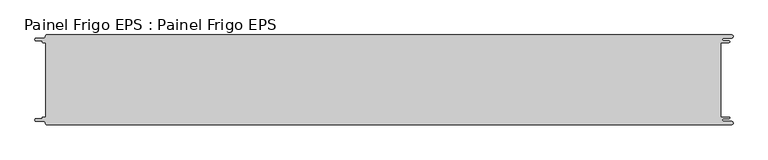
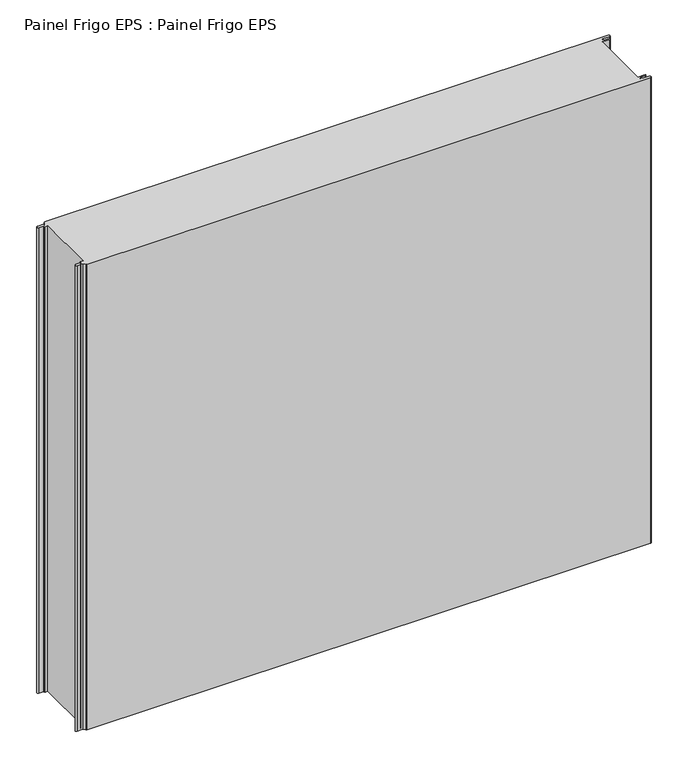
"""IFC4 building model written with IfcOpenShell, lengths in millimetres: proxy geometry, Painel Frigo EPS : Painel Frigo EPS."""

import ifcopenshell
import ifcopenshell.guid

model = None  # the IFC model being written
_history = None  # IfcOwnerHistory: only IFC2X3 demands one
_inside = {}  # id of a spatial element -> (the spatial element, [elements in it])
_under = {}  # id of a project, library or spatial element -> (it, [spatial elements below it])
_declared = {}  # id of a project -> (the project, [libraries it declares])
_typed = {}  # id of a type object -> (the type object, [elements of that type])
_made_of = {}  # id of a material, layer set ... -> (it, [elements and type objects made of it])


def new_model(schema):
    """Start an empty IFC model of exactly this schema.

    Asked for "IFC4X3", IfcOpenShell would pick the latest addendum, in which some entities
    have other attributes; the version numbers below select the first issue.
    IFC2X3 requires an IfcOwnerHistory on every rooted entity: one is made here for all.
    """
    global model, _history
    if schema == "IFC4X3":
        model = ifcopenshell.file(schema_version=(4, 3, 0, 0))
    else:
        model = ifcopenshell.file(schema=schema)
    _inside.clear()
    _under.clear()
    _declared.clear()
    _typed.clear()
    _made_of.clear()
    _history = None
    if model.schema == "IFC2X3":
        org = make("IfcOrganization", Name="unknown")
        user = make(
            "IfcPersonAndOrganization",
            ThePerson=make("IfcPerson", FamilyName="unknown"),
            TheOrganization=org,
        )
        app = make(
            "IfcApplication",
            ApplicationDeveloper=org,
            Version="unknown",
            ApplicationFullName="unknown",
            ApplicationIdentifier="unknown",
        )
        _history = make(
            "IfcOwnerHistory",
            OwningUser=user,
            OwningApplication=app,
            ChangeAction="ADDED",
            CreationDate=0,
        )
    return model


def make(cls, **values):
    """One entity of the class cls with the attributes given. An attribute that is None is left unset."""
    return model.create_entity(
        cls, **{name: value for name, value in values.items() if value is not None}
    )


def rooted(cls, **values):
    """An entity with a GlobalId (a new one), such as an element, a storey or a relation."""
    return make(cls, GlobalId=ifcopenshell.guid.new(), OwnerHistory=_history, **values)


def si_unit(unit_type, name, prefix=None):
    """IfcSIUnit, for example si_unit("LENGTHUNIT", "METRE", prefix="MILLI")."""
    return make("IfcSIUnit", UnitType=unit_type, Prefix=prefix, Name=name)


def assignment(units):
    """IfcUnitAssignment: the units of a project."""
    return None if units is None else make("IfcUnitAssignment", Units=units)


def point(xyz):
    """IfcCartesianPoint."""
    return None if xyz is None else make("IfcCartesianPoint", Coordinates=xyz)


def direction(xyz):
    """IfcDirection."""
    return None if xyz is None else make("IfcDirection", DirectionRatios=xyz)


def frame(location, z_axis=None, x_axis=None):
    """IfcAxis2Placement3D, a coordinate frame: its origin and axes. An axis left out is left unset."""
    return make(
        "IfcAxis2Placement3D",
        Location=point(location),
        Axis=direction(z_axis),
        RefDirection=direction(x_axis),
    )


def origin():
    """The frame at (0, 0, 0) with its axes left unset."""
    return frame((0.0, 0.0, 0.0))


def place(relative_to, where):
    """IfcLocalPlacement: puts the frame where relative to a parent placement (None: the world)."""
    return make(
        "IfcLocalPlacement", PlacementRelTo=relative_to, RelativePlacement=where
    )


def context(
    kind, dimensions, precision=None, world=None, true_north=None, identifier=None
):
    """IfcGeometricRepresentationContext, for example the 3D "Model" context."""
    return make(
        "IfcGeometricRepresentationContext",
        ContextIdentifier=identifier,
        ContextType=kind,
        CoordinateSpaceDimension=dimensions,
        Precision=precision,
        WorldCoordinateSystem=world,
        TrueNorth=true_north,
    )


def project(units=None, contexts=None):
    """IfcProject with its units and contexts."""
    return rooted(
        "IfcProject",
        Name="project",
        RepresentationContexts=contexts,
        UnitsInContext=assignment(units),
    )


def spatial(cls, under=None, at=None, **own):
    """A site, building, storey or space (cls), placed at a placement, below another one or the project."""
    s = rooted(cls, ObjectPlacement=at, **own)
    if under is not None:
        _under.setdefault(under.id(), (under, []))[1].append(s)
    return s


def polyline(points):
    """IfcPolyline through the points."""
    return make("IfcPolyline", Points=[point(p) for p in points])


def circle_curve(where, radius):
    """IfcCircle in the frame where."""
    return make("IfcCircle", Position=where, Radius=radius)


def shape(context_of_items, identifier, shape_type, items):
    """IfcShapeRepresentation: the items that make up one representation, for example the "Body"."""
    return make(
        "IfcShapeRepresentation",
        ContextOfItems=context_of_items,
        RepresentationIdentifier=identifier,
        RepresentationType=shape_type,
        Items=items,
    )


def source(mapping_origin, context_of_items, identifier, shape_type, items):
    """IfcRepresentationMap: a shape defined once, which mapped items show again and again."""
    return make(
        "IfcRepresentationMap",
        MappingOrigin=mapping_origin,
        MappedRepresentation=shape(context_of_items, identifier, shape_type, items),
    )


def transform(
    local_origin,
    x_axis=None,
    y_axis=None,
    z_axis=None,
    scale=None,
    scale2=None,
    scale3=None,
    uniform=True,
):
    """IfcCartesianTransformationOperator3D, or its non-uniform kind. x_axis, y_axis, z_axis: its Axis1, 2, 3."""
    if uniform:
        return make(
            "IfcCartesianTransformationOperator3D",
            Axis1=direction(x_axis),
            Axis2=direction(y_axis),
            LocalOrigin=point(local_origin),
            Scale=scale,
            Axis3=direction(z_axis),
        )
    return make(
        "IfcCartesianTransformationOperator3DnonUniform",
        Axis1=direction(x_axis),
        Axis2=direction(y_axis),
        LocalOrigin=point(local_origin),
        Scale=scale,
        Axis3=direction(z_axis),
        Scale2=scale2,
        Scale3=scale3,
    )


def mapped(mapping_source, mapping_target):
    """IfcMappedItem: shows the shape of a source again, moved by a transform."""
    return make(
        "IfcMappedItem", MappingSource=mapping_source, MappingTarget=mapping_target
    )


def made_of(thing, what):
    """Note that an element or type object is made of a material, layer set ...; save() writes the relation."""
    if what is not None:
        _made_of.setdefault(what.id(), (what, []))[1].append(thing)
    return thing


def element(
    cls,
    number,
    at=None,
    inside=None,
    cuts=None,
    type_object=None,
    material=None,
    context=None,
    identifier="Body",
    shape_type=None,
    held_by="IfcProductDefinitionShape",
    body=None,
    shapes=None,
    **own,
):
    """One element of the class cls, such as IfcWall. Its Tag is "e" and its number.

    at: its placement. inside: the storey or other place that contains it. cuts: it is an
    opening in that element (IfcRelVoidsElement). A single representation is given by context,
    identifier, shape_type and body (its items); several are given by shapes. held_by: the class
    of the entity that holds the representations. save() writes the other relations.
    """
    e = rooted(cls, Tag="e%d" % number, ObjectPlacement=at, **own)
    if body is not None:
        shapes = [shape(context, identifier, shape_type, body)]
    if shapes is not None:
        e.Representation = make(held_by, Representations=shapes)
    if inside is not None:
        _inside.setdefault(inside.id(), (inside, []))[1].append(e)
    if cuts is not None:
        rooted(
            "IfcRelVoidsElement", RelatingBuildingElement=cuts, RelatedOpeningElement=e
        )
    if type_object is not None:
        _typed.setdefault(type_object.id(), (type_object, []))[1].append(e)
    return made_of(e, material)


def aggregate(whole, parts):
    """IfcRelAggregates: a whole, such as a stair, and the parts it consists of."""
    return rooted("IfcRelAggregates", RelatingObject=whole, RelatedObjects=parts)


def save(model, path):
    """Write the relations noted so far, then the file.

    IfcRelAggregates (storeys below a building ...), IfcRelContainedInSpatialStructure (elements
    in a storey), IfcRelDefinesByType, IfcRelAssociatesMaterial and IfcRelDeclares: one each for
    every whole, place, type object, material and project.
    """
    for whole, parts in _under.values():
        aggregate(whole, parts)
    for where, things in _inside.values():
        rooted(
            "IfcRelContainedInSpatialStructure",
            RelatedElements=things,
            RelatingStructure=where,
        )
    for kind, things in _typed.values():
        rooted("IfcRelDefinesByType", RelatedObjects=things, RelatingType=kind)
    for what, things in _made_of.values():
        rooted("IfcRelAssociatesMaterial", RelatedObjects=things, RelatingMaterial=what)
    for by, libraries in _declared.values():
        rooted("IfcRelDeclares", RelatingContext=by, RelatedDefinitions=libraries)
    model.write(path)


def plane_surface(at):
    """IfcPlane: the flat surface through the origin of the frame at, square to its z axis."""
    return make("IfcPlane", Position=at)


def cylinder_surface(at, radius):
    """IfcCylindricalSurface: all points at the distance radius from the z axis of the frame at."""
    return make("IfcCylindricalSurface", Position=at, Radius=radius)


def revolved_surface(curve, axis_point, axis_direction):
    """IfcSurfaceOfRevolution: the curve turned about the line through axis_point along axis_direction."""
    return make(
        "IfcSurfaceOfRevolution",
        SweptCurve=make("IfcArbitraryOpenProfileDef", ProfileType="CURVE", Curve=curve),
        AxisPosition=make("IfcAxis1Placement", Location=point(axis_point), Axis=direction(axis_direction)),
    )


def advanced_brep(points, edges, surfaces, faces):
    """IfcAdvancedBrep: a solid bounded by faces that lie on surfaces and meet in shared edges.

    An edge is (start, end): straight between two places in points (the first is 0);
    or (start, end, curve); or (start, end, curve, False) where it runs against its curve.
    A face is (place in surfaces, loops), or (place, loops, False) where it looks against
    its surface's normal. A loop lists edges by number (the first is 1), with a minus sign
    where the edge is run from its end to its start. The first loop is the outer one.
    """
    corners = [point(p) for p in points]
    vertices = [make("IfcVertexPoint", VertexGeometry=c) for c in corners]
    made = []
    for start, end, *more in edges:
        made.append(
            make(
                "IfcEdgeCurve",
                EdgeStart=vertices[start],
                EdgeEnd=vertices[end],
                EdgeGeometry=more[0] if more else make("IfcPolyline", Points=[corners[start], corners[end]]),
                SameSense=more[1] if len(more) > 1 else True,
            )
        )
    hull = []
    for where, loops, *sense in faces:
        bounds = []
        for j, loop in enumerate(loops):
            ring = [make("IfcOrientedEdge", EdgeElement=made[abs(k) - 1], Orientation=k > 0) for k in loop]
            bounds.append(
                make(
                    "IfcFaceOuterBound" if j == 0 else "IfcFaceBound",
                    Bound=make("IfcEdgeLoop", EdgeList=ring),
                    Orientation=True,
                )
            )
        hull.append(make("IfcAdvancedFace", Bounds=bounds, FaceSurface=surfaces[where], SameSense=sense[0] if sense else True))
    return make("IfcAdvancedBrep", Outer=make("IfcClosedShell", CfsFaces=hull))


def painel_frigo_eps_painel_frigo_eps_78091db7(model_context):
    return source(origin(), model_context, "Body", "AdvancedBrep", [
        advanced_brep(
        [(-579.5093748, 62.3, 1000.0), (-574.2218362, 62.3, 1000.0), (-574.2218362, -62.2999995, 1000.0), (-579.5093748, -62.2999995, 1000.0), (-580.1093753, -62.9, 1000.0), (-580.1093753, -63.7085185, 1000.0), (-581.5093753, -65.1085185, 1000.0), (-590.4875, -65.1085185, 1000.0), (-590.4875, -69.5085185, 1000.0), (-578.471875, -69.5085185, 1000.0), (-574.921875, -73.0585185, 1000.0), (-572.971875, -75.0, 1000.0), (572.284375, -75.0, 1000.0), (572.284375, -69.725, 1000.0), (559.378125, -69.725, 1000.0), (559.378125, -64.875, 1000.0), (568.0406253, -64.875, 1000.0), (568.0406253, -62.3, 1000.0), (554.1906253, -62.3, 1000.0), (554.1906253, 62.3, 1000.0), (568.0406253, 62.3, 1000.0), (568.0406253, 64.875, 1000.0), (559.378125, 64.875, 1000.0), (559.378125, 69.725, 1000.0), (572.284375, 69.725, 1000.0), (572.284375, 75.0, 1000.0), (-572.971875, 75.0, 1000.0), (-574.921875, 73.05, 1000.0), (-578.471875, 69.5085185, 1000.0), (-590.4875, 69.5085185, 1000.0), (-590.4875, 65.1085187, 1000.0), (-581.5093751, 65.1085187, 1000.0), (-580.1093748, 63.7085184, 1000.0), (-580.1093748, 62.9, 1000.0), (-579.5093748, 62.3, 0.0), (-580.1093748, 62.9, 0.0), (-580.1093748, 63.7085184, 0.0), (-581.5093751, 65.1085187, 0.0), (-590.4875, 65.1085187, 0.0), (-590.4875, 69.5085185, 0.0), (-578.471875, 69.5085185, 0.0), (-574.921875, 73.0585185, 0.0), (-572.971875, 75.0, 0.0), (572.284375, 75.0, 0.0), (572.284375, 69.725, 0.0), (559.378125, 69.725, 0.0), (559.378125, 64.875, 0.0), (568.0406253, 64.875, 0.0), (568.0406253, 62.3, 0.0), (554.1906253, 62.3, 0.0), (554.1906253, -62.3, 0.0), (568.0406253, -62.3, 0.0), (568.0406253, -64.875, 0.0), (559.378125, -64.875, 0.0), (559.378125, -69.725, 0.0), (572.284375, -69.725, 0.0), (572.284375, -75.0, 0.0), (-572.971875, -75.0, 0.0), (-574.921875, -73.05, 0.0), (-578.471875, -69.5085185, 0.0), (-590.4875, -69.5085185, 0.0), (-590.4875, -65.1085185, 0.0), (-581.5093753, -65.1085185, 0.0), (-580.1093753, -63.7085185, 0.0), (-580.1093753, -62.9, 0.0), (-579.5093748, -62.2999995, 0.0), (-574.2218362, -62.2999995, 0.0), (-574.2218362, 62.3, 0.0)],
        [
            (0, 1),
            (1, 2),
            (2, 3),
            (3, 4, circle_curve(frame((-579.5093748, -62.9, 1000.0), z_axis=(0.0, 0.0, 1.0), x_axis=(1.0, 0.0, 0.0)), 0.6000005)),
            (4, 5),
            (5, 6, circle_curve(frame((-581.5093753, -63.7085185, 1000.0), z_axis=(0.0, 0.0, -1.0), x_axis=(1.0, 0.0, 0.0)), 1.4)),
            (6, 7),
            (7, 8, circle_curve(frame((-590.4875, -67.3085185, 1000.0), z_axis=(0.0, 0.0, 1.0), x_axis=(1.0, 0.0, 0.0)), 2.2)),
            (8, 9),
            (9, 10, circle_curve(frame((-578.471875, -73.0585185, 1000.0), z_axis=(0.0, 0.0, -1.0), x_axis=(1.0, 0.0, 0.0)), 3.55)),
            (10, 11, circle_curve(frame((-572.971875, -73.05, 1000.0), z_axis=(0.0, 0.0, 1.0), x_axis=(1.0, 0.0, 0.0)), 1.95)),
            (11, 12),
            (12, 13, circle_curve(frame((572.284375, -72.3625, 1000.0), z_axis=(0.0, 0.0, 1.0), x_axis=(1.0, 0.0, 0.0)), 2.6375)),
            (13, 14),
            (14, 15, circle_curve(frame((559.378125, -67.3, 1000.0), z_axis=(0.0, 0.0, -1.0), x_axis=(1.0, 0.0, 0.0)), 2.425)),
            (15, 16),
            (16, 17, circle_curve(frame((568.0406253, -63.5875, 1000.0), z_axis=(0.0, 0.0, 1.0), x_axis=(1.0, 0.0, 0.0)), 1.2875)),
            (17, 18),
            (18, 19),
            (19, 20),
            (20, 21, circle_curve(frame((568.0406253, 63.5875, 1000.0), z_axis=(0.0, 0.0, 1.0), x_axis=(1.0, 0.0, 0.0)), 1.2875)),
            (21, 22),
            (22, 23, circle_curve(frame((559.378125, 67.3, 1000.0), z_axis=(0.0, 0.0, -1.0), x_axis=(1.0, 0.0, 0.0)), 2.425)),
            (23, 24),
            (24, 25, circle_curve(frame((572.284375, 72.3625, 1000.0), z_axis=(0.0, 0.0, 1.0), x_axis=(1.0, 0.0, 0.0)), 2.6375)),
            (25, 26),
            (26, 27, circle_curve(frame((-572.971875, 73.05, 1000.0), z_axis=(0.0, 0.0, 1.0), x_axis=(1.0, 0.0, 0.0)), 1.95)),
            (27, 28, circle_curve(frame((-578.471875, 73.0585185, 1000.0), z_axis=(0.0, 0.0, -1.0), x_axis=(1.0, 0.0, 0.0)), 3.55)),
            (28, 29),
            (29, 30, circle_curve(frame((-590.4875, 67.3085186, 1000.0), z_axis=(0.0, 0.0, 1.0), x_axis=(1.0, 0.0, 0.0)), 2.1999999)),
            (30, 31),
            (31, 32, circle_curve(frame((-581.5093751, 63.7085184, 1000.0), z_axis=(0.0, 0.0, -1.0), x_axis=(1.0, 0.0, 0.0)), 1.4000003)),
            (32, 33),
            (33, 0, circle_curve(frame((-579.5093748, 62.9, 1000.0), z_axis=(0.0, 0.0, 1.0), x_axis=(1.0, 0.0, 0.0)), 0.6)),
            (34, 35, circle_curve(frame((-579.5093748, 62.9, 0.0), z_axis=(0.0, 0.0, -1.0), x_axis=(1.0, 0.0, 0.0)), 0.6)),
            (35, 36),
            (36, 37, circle_curve(frame((-581.5093751, 63.7085184, 0.0), z_axis=(0.0, 0.0, 1.0), x_axis=(1.0, 0.0, 0.0)), 1.4000003)),
            (37, 38),
            (38, 39, circle_curve(frame((-590.4875, 67.3085186, 0.0), z_axis=(0.0, 0.0, -1.0), x_axis=(1.0, 0.0, 0.0)), 2.1999999)),
            (39, 40),
            (40, 41, circle_curve(frame((-578.471875, 73.0585185, 0.0), z_axis=(0.0, 0.0, 1.0), x_axis=(1.0, 0.0, 0.0)), 3.55)),
            (41, 42, circle_curve(frame((-572.971875, 73.05, 0.0), z_axis=(0.0, 0.0, -1.0), x_axis=(1.0, 0.0, 0.0)), 1.95)),
            (42, 43),
            (43, 44, circle_curve(frame((572.284375, 72.3625, 0.0), z_axis=(0.0, 0.0, -1.0), x_axis=(1.0, 0.0, 0.0)), 2.6375)),
            (44, 45),
            (45, 46, circle_curve(frame((559.378125, 67.3, 0.0), z_axis=(0.0, 0.0, 1.0), x_axis=(1.0, 0.0, 0.0)), 2.425)),
            (46, 47),
            (47, 48, circle_curve(frame((568.0406253, 63.5875, 0.0), z_axis=(0.0, 0.0, -1.0), x_axis=(1.0, 0.0, 0.0)), 1.2875)),
            (48, 49),
            (49, 50),
            (50, 51),
            (51, 52, circle_curve(frame((568.0406253, -63.5875, 0.0), z_axis=(0.0, 0.0, -1.0), x_axis=(1.0, 0.0, 0.0)), 1.2875)),
            (52, 53),
            (53, 54, circle_curve(frame((559.378125, -67.3, 0.0), z_axis=(0.0, 0.0, 1.0), x_axis=(1.0, 0.0, 0.0)), 2.425)),
            (54, 55),
            (55, 56, circle_curve(frame((572.284375, -72.3625, 0.0), z_axis=(0.0, 0.0, -1.0), x_axis=(1.0, 0.0, 0.0)), 2.6375)),
            (56, 57),
            (57, 58, circle_curve(frame((-572.971875, -73.05, 0.0), z_axis=(0.0, 0.0, -1.0), x_axis=(1.0, 0.0, 0.0)), 1.95)),
            (58, 59, circle_curve(frame((-578.471875, -73.0585185, 0.0), z_axis=(0.0, 0.0, 1.0), x_axis=(1.0, 0.0, 0.0)), 3.55)),
            (59, 60),
            (60, 61, circle_curve(frame((-590.4875, -67.3085185, 0.0), z_axis=(0.0, 0.0, -1.0), x_axis=(1.0, 0.0, 0.0)), 2.2)),
            (61, 62),
            (62, 63, circle_curve(frame((-581.5093753, -63.7085185, 0.0), z_axis=(0.0, 0.0, 1.0), x_axis=(1.0, 0.0, 0.0)), 1.4)),
            (63, 64),
            (64, 65, circle_curve(frame((-579.5093748, -62.9, 0.0), z_axis=(0.0, 0.0, -1.0), x_axis=(1.0, 0.0, 0.0)), 0.6000005)),
            (65, 66),
            (66, 67),
            (67, 34),
            (11, 57),
            (56, 12),
            (25, 43),
            (42, 26),
            (0, 34),
            (67, 1),
            (66, 2),
            (65, 3),
            (64, 4),
            (63, 5),
            (62, 6),
            (61, 7),
            (60, 8),
            (59, 9),
            (58, 10),
            (18, 50),
            (49, 19),
            (48, 20),
            (47, 21),
            (46, 22),
            (45, 23),
            (44, 24),
            (41, 27),
            (40, 28),
            (39, 29),
            (38, 30),
            (37, 31),
            (36, 32),
            (35, 33),
            (55, 13),
            (54, 14),
            (53, 15),
            (52, 16),
            (51, 17),
        ],
        [
            plane_surface(frame((-574.2218362, 62.3, 1000.0), z_axis=(0.0, 0.0, 1.0), x_axis=(1.0, 0.0, 0.0))),
            plane_surface(frame((-574.2218362, 62.3, 0.0), z_axis=(0.0, 0.0, -1.0), x_axis=(-1.0, 0.0, 0.0))),
            plane_surface(frame((-572.971875, -75.0, 1000.0), z_axis=(0.0, -1.0, 0.0), x_axis=(0.0, 0.0, -1.0))),
            plane_surface(frame((572.284375, 75.0, 1000.0), z_axis=(0.0, 1.0, 0.0), x_axis=(0.0, 0.0, -1.0))),
            plane_surface(frame((-579.5093748, 62.3, 1000.0), z_axis=(0.0, -1.0, 0.0), x_axis=(0.0, 0.0, -1.0))),
            plane_surface(frame((-574.2218362, 62.3, 1000.0), z_axis=(-1.0, 0.0, 0.0), x_axis=(0.0, 0.0, -1.0))),
            plane_surface(frame((-574.2218362, -62.2999995, 1000.0), z_axis=(0.0, 1.0, 0.0), x_axis=(0.0, 0.0, -1.0))),
            cylinder_surface(frame((-579.5093748, -62.9, 0.0), z_axis=(0.0, 0.0, 1.0), x_axis=(1.0, 0.0, 0.0)), 0.6000005),
            plane_surface(frame((-580.1093753, -62.9, 1000.0), z_axis=(-1.0, 1.757860866232952e-12, 0.0), x_axis=(0.0, 0.0, -1.0))),
            revolved_surface(polyline([(-580.1093753, -63.7085185, 0.0), (-580.1093753, -63.7085185, 1000.0)]), (-581.5093753, -63.7085185, 0.0), (0.0, 0.0, -1.0)),
            plane_surface(frame((-581.5093753, -65.1085185, 1000.0), z_axis=(0.0, 1.0, 0.0), x_axis=(0.0, 0.0, -1.0))),
            cylinder_surface(frame((-590.4875, -67.3085185, 0.0), z_axis=(0.0, 0.0, 1.0), x_axis=(1.0, 0.0, 0.0)), 2.2),
            plane_surface(frame((-590.4875, -69.5085185, 1000.0), z_axis=(0.0, -1.0, 0.0), x_axis=(0.0, 0.0, -1.0))),
            revolved_surface(polyline([(-574.921875, -73.0585185, 0.0), (-574.921875, -73.0585185, 1000.0)]), (-578.471875, -73.0585185, 0.0), (0.0, 0.0, -1.0)),
            cylinder_surface(frame((-572.971875, -73.05, 0.0), z_axis=(0.0, 0.0, 1.0), x_axis=(1.0, 0.0, 0.0)), 1.95),
            plane_surface(frame((554.1906253, -62.3, 1000.0), z_axis=(1.0, 0.0, 0.0), x_axis=(0.0, 0.0, -1.0))),
            plane_surface(frame((554.1906253, 62.3, 1000.0), z_axis=(0.0, -1.0, 0.0), x_axis=(0.0, 0.0, -1.0))),
            cylinder_surface(frame((568.0406253, 63.5875, 0.0), z_axis=(0.0, 0.0, 1.0), x_axis=(1.0, 0.0, 0.0)), 1.2875),
            plane_surface(frame((568.0406253, 64.875, 1000.0), z_axis=(0.0, 1.0, 0.0), x_axis=(0.0, 0.0, -1.0))),
            revolved_surface(polyline([(561.8031249999999, 67.3, 0.0), (561.8031249999999, 67.3, 1000.0)]), (559.378125, 67.3, 0.0), (0.0, 0.0, -1.0)),
            plane_surface(frame((559.378125, 69.725, 1000.0), z_axis=(0.0, -1.0, 0.0), x_axis=(0.0, 0.0, -1.0))),
            cylinder_surface(frame((572.284375, 72.3625, 0.0), z_axis=(0.0, 0.0, 1.0), x_axis=(1.0, 0.0, 0.0)), 2.6375),
            cylinder_surface(frame((-572.971875, 73.05, 0.0), z_axis=(0.0, 0.0, 1.0), x_axis=(1.0, 0.0, 0.0)), 1.95),
            revolved_surface(polyline([(-574.921875, 73.0585185, 0.0), (-574.921875, 73.0585185, 1000.0)]), (-578.471875, 73.0585185, 0.0), (0.0, 0.0, -1.0)),
            plane_surface(frame((-578.471875, 69.5085185, 1000.0), z_axis=(0.0, 1.0, 0.0), x_axis=(0.0, 0.0, -1.0))),
            cylinder_surface(frame((-590.4875, 67.3085186, 0.0), z_axis=(0.0, 0.0, 1.0), x_axis=(1.0, 0.0, 0.0)), 2.1999999),
            plane_surface(frame((-590.4875, 65.1085187, 1000.0), z_axis=(0.0, -1.0, 0.0), x_axis=(0.0, 0.0, -1.0))),
            revolved_surface(polyline([(-580.1093748000001, 63.7085184, 0.0), (-580.1093748000001, 63.7085184, 1000.0)]), (-581.5093751, 63.7085184, 0.0), (0.0, 0.0, -1.0)),
            plane_surface(frame((-580.1093748, 63.7085184, 1000.0), z_axis=(-1.0, 0.0, 0.0), x_axis=(0.0, 0.0, -1.0))),
            cylinder_surface(frame((-579.5093748, 62.9, 0.0), z_axis=(0.0, 0.0, 1.0), x_axis=(1.0, 0.0, 0.0)), 0.6),
            cylinder_surface(frame((572.284375, -72.3625, 0.0), z_axis=(0.0, 0.0, 1.0), x_axis=(1.0, 0.0, 0.0)), 2.6375),
            plane_surface(frame((572.284375, -69.725, 1000.0), z_axis=(0.0, 1.0, 0.0), x_axis=(0.0, 0.0, -1.0))),
            revolved_surface(polyline([(561.8031249999999, -67.3, 0.0), (561.8031249999999, -67.3, 1000.0)]), (559.378125, -67.3, 0.0), (0.0, 0.0, -1.0)),
            plane_surface(frame((559.378125, -64.875, 1000.0), z_axis=(0.0, -1.0, 0.0), x_axis=(0.0, 0.0, -1.0))),
            cylinder_surface(frame((568.0406253, -63.5875, 0.0), z_axis=(0.0, 0.0, 1.0), x_axis=(1.0, 0.0, 0.0)), 1.2875),
            plane_surface(frame((568.0406253, -62.3, 1000.0), z_axis=(0.0, 1.0, 0.0), x_axis=(0.0, 0.0, -1.0))),
        ],
        [
            (0, [[1, 2, 3, 4, 5, 6, 7, 8, 9, 10, 11, 12, 13, 14, 15, 16, 17, 18, 19, 20, 21, 22, 23, 24, 25, 26, 27, 28, 29, 30, 31, 32, 33, 34]]),
            (1, [[35, 36, 37, 38, 39, 40, 41, 42, 43, 44, 45, 46, 47, 48, 49, 50, 51, 52, 53, 54, 55, 56, 57, 58, 59, 60, 61, 62, 63, 64, 65, 66, 67, 68]]),
            (2, [[-12, 69, -57, 70]]),
            (3, [[-26, 71, -43, 72]]),
            (4, [[-1, 73, -68, 74]]),
            (5, [[-2, -74, -67, 75]]),
            (6, [[-3, -75, -66, 76]]),
            (7, [[-4, -76, -65, 77]]),
            (8, [[-5, -77, -64, 78]]),
            (9, [[-6, -78, -63, 79]]),
            (10, [[-7, -79, -62, 80]]),
            (11, [[-8, -80, -61, 81]]),
            (12, [[-9, -81, -60, 82]]),
            (13, [[-10, -82, -59, 83]]),
            (14, [[-11, -83, -58, -69]]),
            (15, [[-19, 84, -50, 85]]),
            (16, [[-20, -85, -49, 86]]),
            (17, [[-21, -86, -48, 87]]),
            (18, [[-22, -87, -47, 88]]),
            (19, [[-23, -88, -46, 89]]),
            (20, [[-24, -89, -45, 90]]),
            (21, [[-25, -90, -44, -71]]),
            (22, [[-27, -72, -42, 91]]),
            (23, [[-28, -91, -41, 92]]),
            (24, [[-29, -92, -40, 93]]),
            (25, [[-30, -93, -39, 94]]),
            (26, [[-31, -94, -38, 95]]),
            (27, [[-32, -95, -37, 96]]),
            (28, [[-33, -96, -36, 97]]),
            (29, [[-34, -97, -35, -73]]),
            (30, [[-13, -70, -56, 98]]),
            (31, [[-14, -98, -55, 99]]),
            (32, [[-15, -99, -54, 100]]),
            (33, [[-16, -100, -53, 101]]),
            (34, [[-17, -101, -52, 102]]),
            (35, [[-18, -102, -51, -84]]),
        ],
    ),
    ])


if __name__ == "__main__":
    model = new_model("IFC4")
    model_context = context("Model", 3, world=origin())
    ifc_project = project(units=[si_unit("LENGTHUNIT", "METRE", prefix="MILLI")], contexts=[model_context])
    site = spatial("IfcSite", under=ifc_project)
    building = spatial("IfcBuilding", under=site)
    placement = place(None, origin())
    painel_frigo_eps_painel_frigo_eps_shape = painel_frigo_eps_painel_frigo_eps_78091db7(model_context)
    element("IfcBuildingElementProxy", 1, Name="Painel Frigo EPS : Painel Frigo EPS", ObjectType="Painel Frigo EPS : Painel Frigo EPS", at=placement, inside=building, context=model_context, shape_type="MappedRepresentation", body=[
        mapped(painel_frigo_eps_painel_frigo_eps_shape, transform((0.0, 0.0, 0.0), x_axis=(1.0, 0.0, 0.0), y_axis=(0.0, 1.0, 0.0), z_axis=(0.0, 0.0, 1.0))),
    ])
    save(model, "model.ifc")
